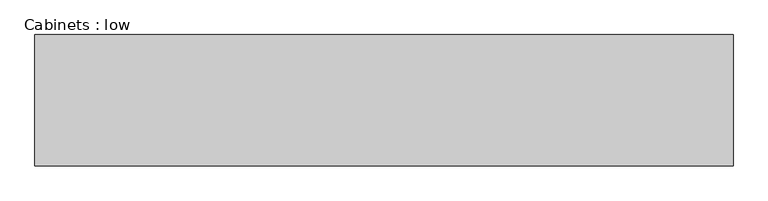
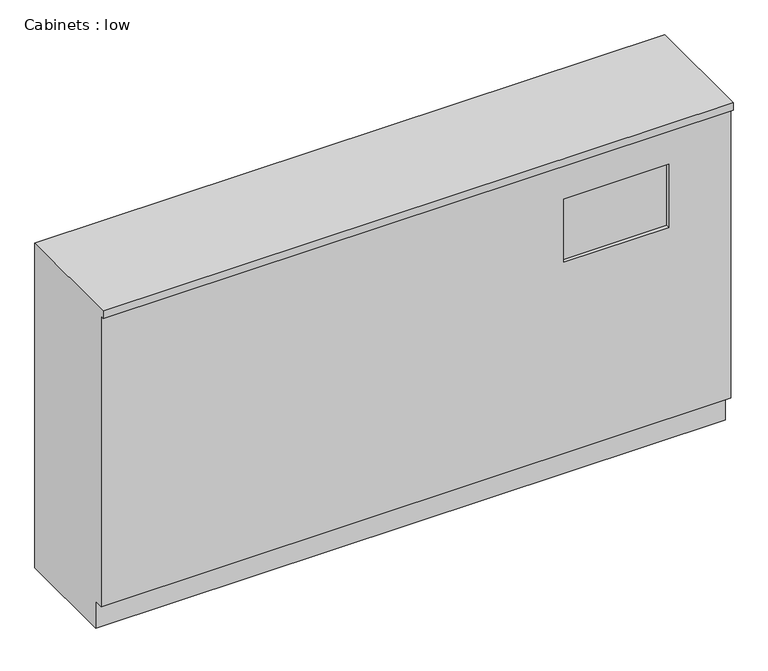
"""IFC4 building model written with IfcOpenShell, lengths in millimetres: furniture geometry, Cabinets : low."""

from ifc_helpers import new_model, si_unit, origin, place, context, project, spatial, faceted_brep, source, transform, mapped, element, save


def cabinets_low_300459c5(model_context):
    return source(origin(), model_context, "Body", "Brep", [
        faceted_brep([(-1913.5686582, -550.0, 0.0), (-1913.5686582, -550.0, 150.0), (-1913.5686582, -600.0, 150.0), (-1913.5686582, -600.0, 1760.0), (-1913.5686582, -620.0, 1760.0), (-1913.5686582, -620.0, 1800.0), (-1913.5686582, 0.0, 1800.0), (-1913.5686582, 0.0, 0.0), (1386.4313418, -550.0, 0.0), (1386.4313418, 0.0, 0.0), (1386.4313418, 0.0, 1800.0), (1386.4313418, -620.0, 1800.0), (1386.4313418, -620.0, 1760.0), (1386.4313418, -600.0, 1760.0), (1386.4313418, -600.0, 150.0), (1386.4313418, -550.0, 150.0), (1061.4313418, -600.0, 1560.0), (1061.4313418, -600.0, 1210.0), (511.4313418, -600.0, 1210.0), (511.4313418, -600.0, 1560.0), (1061.4313418, -580.0, 1560.0), (511.4313418, -580.0, 1560.0), (511.4313418, -580.0, 1210.0), (1061.4313418, -580.0, 1210.0)], [[[0, 1, 2, 3, 4, 5, 6, 7]], [[8, 9, 10, 11, 12, 13, 14, 15]], [[1, 0, 8, 15]], [[2, 1, 15, 14]], [[3, 2, 14, 13], [16, 17, 18, 19]], [[4, 3, 13, 12]], [[5, 4, 12, 11]], [[6, 5, 11, 10]], [[7, 6, 10, 9]], [[0, 7, 9, 8]], [[20, 21, 22, 23]], [[20, 23, 17, 16]], [[23, 22, 18, 17]], [[22, 21, 19, 18]], [[21, 20, 16, 19]]]),
    ])


if __name__ == "__main__":
    model = new_model("IFC4")
    model_context = context("Model", 3, world=origin())
    ifc_project = project(units=[si_unit("LENGTHUNIT", "METRE", prefix="MILLI")], contexts=[model_context])
    site = spatial("IfcSite", under=ifc_project)
    building = spatial("IfcBuilding", under=site)
    placement = place(None, origin())
    cabinets_low_shape = cabinets_low_300459c5(model_context)
    element("IfcFurniture", 1, ObjectType="Cabinets : low", at=placement, inside=building, context=model_context, shape_type="MappedRepresentation", body=[
        mapped(cabinets_low_shape, transform((0.0, 0.0, 0.0), x_axis=(1.0, 0.0, 0.0), y_axis=(0.0, 1.0, 0.0), z_axis=(0.0, 0.0, 1.0))),
    ])
    save(model, "model.ifc")
